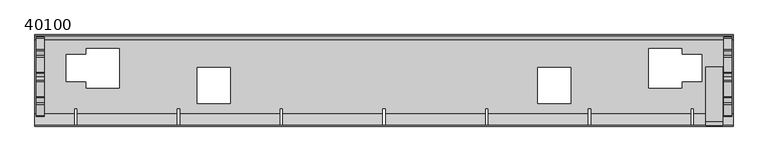
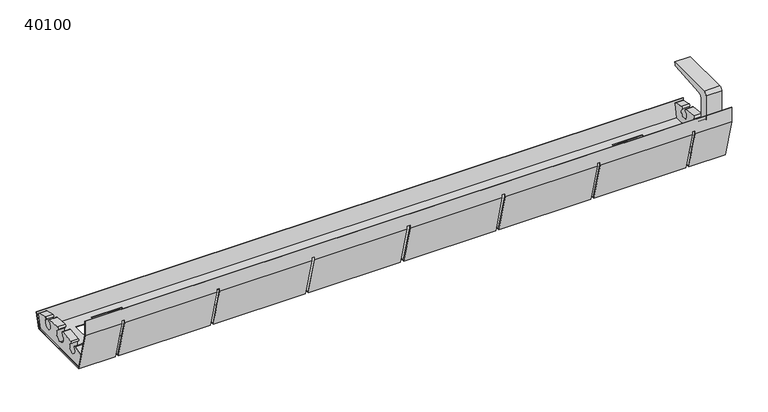
"""IFC4 building model written with IfcOpenShell, lengths in millimetres: furniture geometry, 40100."""

from ifc_helpers import new_model, si_unit, point, frame, frame_2d, origin, place, context, project, spatial, polyline, circle_curve, trimmed, segment, composite_curve, outline, extrude, faceted_brep, source, transform, mapped, element, save


def furniture_40100_9cb6f495(model_context):
    return source(origin(), model_context, "Body", "SolidModel", [
        extrude(outline(composite_curve([segment(polyline([(6.0, 127.6), (87.0, 127.6), (85.8219858, 123.3928064)]), True, "CONTINUOUS"), segment(trimmed(circle_curve(frame_2d((83.8960577, 123.9320662)), 2.0), [point((85.8219858, 123.3928064))], [point((84.0703692, 121.9396768))], False, "CARTESIAN"), True, "CONTINUOUS"), segment(polyline([(84.0703692, 121.9396768), (21.3027541, 116.4482221)]), True, "CONTINUOUS"), segment(trimmed(circle_curve(frame_2d((22.0, 108.4786645)), 8.0), [point((21.3027541, 116.4482221))], [point((14.0, 108.4786645))], True, "CARTESIAN"), True, "CONTINUOUS"), segment(polyline([(14.0, 108.4786645), (14.0, 84.4680422)]), True, "CONTINUOUS"), segment(trimmed(circle_curve(frame_2d((22.0, 84.4680422)), 8.0), [point((14.0, 84.4680422))], [point((14.2725934, 82.3974898))], True, "CARTESIAN"), True, "CONTINUOUS"), segment(polyline([(14.2725934, 82.3974898), (31.3787067, 18.5566058)]), True, "CONTINUOUS"), segment(trimmed(circle_curve(frame_2d((39.1061133, 20.6271582)), 8.0), [point((31.3787067, 18.5566058))], [point((37.9204592, 12.715507))], True, "CARTESIAN"), True, "CONTINUOUS"), segment(polyline([(37.9204592, 12.715507), (84.1345897, 5.7897752)]), True, "CONTINUOUS"), segment(trimmed(circle_curve(frame_2d((83.8381762, 3.8118624)), 2.0), [point((84.1345897, 5.7897752))], [point((85.7700278, 4.3295005))], False, "CARTESIAN"), True, "CONTINUOUS"), segment(polyline([(85.7700278, 4.3295005), (86.6085749, 1.2), (22.5765824, 1.2), (1.2725934, 80.7075696)]), True, "CONTINUOUS"), segment(trimmed(circle_curve(frame_2d((9.0, 82.7781219)), 8.0), [point((1.2725934, 80.7075696))], [point((1.0, 82.7781219))], False, "CARTESIAN"), True, "CONTINUOUS"), segment(polyline([(1.0, 82.7781219), (1.0, 122.6)]), True, "CONTINUOUS"), segment(trimmed(circle_curve(frame_2d((6.0, 122.6)), 5.0), [point((1.0, 122.6))], [point((6.0, 127.6))], False, "CARTESIAN"), True, "CONTINUOUS")], self_intersect=False)), frame((985.0, 0.0, 0.0), z_axis=(1.0, 0.0, 0.0), x_axis=(0.0, 1.0, 0.0)), (0.0, 0.0, 1.0), 25.0),
        extrude(outline(composite_curve([segment(polyline([(19.7421934, 1.2), (14.2708238, 21.6194295)]), True, "CONTINUOUS"), segment(trimmed(circle_curve(frame_2d((16.2026754, 22.1370675)), 2.0), [point((14.2708238, 21.6194295))], [point((15.7218792, 24.0784163))], False, "CARTESIAN"), True, "CONTINUOUS"), segment(trimmed(circle_curve(frame_2d((72.7329114, -171.9023975)), 204.1047211), [point((15.7218792, 24.0784163))], [point((31.7264611, 28.0406149))], False, "CARTESIAN"), True, "CONTINUOUS"), segment(trimmed(circle_curve(frame_2d((32.1106564, 26.0778633)), 2.0), [point((31.7264611, 28.0406149))], [point((33.7699459, 24.9612799))], False, "CARTESIAN"), True, "CONTINUOUS"), segment(trimmed(circle_curve(frame_2d((39.2741288, 19.8667759)), 7.5), [point((33.7699459, 24.9612799))], [point((42.6489677, 26.5645712))], True, "CARTESIAN"), True, "CONTINUOUS"), segment(trimmed(circle_curve(frame_2d((43.8838713, 28.1377887)), 2.0), [point((42.6489677, 26.5645712))], [point((43.4584069, 30.0920097))], False, "CARTESIAN"), True, "CONTINUOUS"), segment(trimmed(circle_curve(frame_2d((72.7329114, -171.9023975)), 204.1047211), [point((43.4584069, 30.0920097))], [point((65.5069893, 32.0743738))], False, "CARTESIAN"), True, "CONTINUOUS"), segment(trimmed(circle_curve(frame_2d((65.5283849, 30.0744882)), 2.0), [point((65.5069893, 32.0743738))], [point((66.9521196, 28.6698603))], False, "CARTESIAN"), True, "CONTINUOUS"), segment(trimmed(circle_curve(frame_2d((74.2422272, 21.4775868)), 10.2408236), [point((66.9521196, 28.6698603))], [point((64.9357171, 25.7511494))], True, "CARTESIAN"), True, "CONTINUOUS"), segment(trimmed(circle_curve(frame_2d((72.7518575, 20.3513393)), 9.5), [point((64.9357171, 25.7511494))], [point((72.7518575, 10.8513393))], True, "CARTESIAN"), True, "CONTINUOUS"), segment(trimmed(circle_curve(frame_2d((72.7518575, 20.3513393)), 9.5), [point((72.7518575, 10.8513393))], [point((80.5679978, 25.7511494))], True, "CARTESIAN"), True, "CONTINUOUS"), segment(trimmed(circle_curve(frame_2d((71.2614878, 21.4775868)), 10.2408236), [point((80.5679978, 25.7511494))], [point((78.5515954, 28.6698603))], True, "CARTESIAN"), True, "CONTINUOUS"), segment(trimmed(circle_curve(frame_2d((79.97533, 30.0744882)), 2.0), [point((78.5515954, 28.6698603))], [point((79.9967256, 32.0743738))], False, "CARTESIAN"), True, "CONTINUOUS"), segment(trimmed(circle_curve(frame_2d((72.7708035, -171.9023975)), 204.1047211), [point((79.9967256, 32.0743738))], [point((102.045308, 30.0920097))], False, "CARTESIAN"), True, "CONTINUOUS"), segment(trimmed(circle_curve(frame_2d((101.6198437, 28.1377887)), 2.0), [point((102.045308, 30.0920097))], [point((102.8547472, 26.5645712))], False, "CARTESIAN"), True, "CONTINUOUS"), segment(trimmed(circle_curve(frame_2d((106.2295862, 19.8667759)), 7.5), [point((102.8547472, 26.5645712))], [point((111.7337691, 24.9612799))], True, "CARTESIAN"), True, "CONTINUOUS"), segment(trimmed(circle_curve(frame_2d((113.3930585, 26.0778633)), 2.0), [point((111.7337691, 24.9612799))], [point((113.7772538, 28.0406149))], False, "CARTESIAN"), True, "CONTINUOUS"), segment(trimmed(circle_curve(frame_2d((72.7708035, -171.9023975)), 204.1047211), [point((113.7772538, 28.0406149))], [point((129.7818357, 24.0784163))], False, "CARTESIAN"), True, "CONTINUOUS"), segment(trimmed(circle_curve(frame_2d((129.3010395, 22.1370675)), 2.0), [point((129.7818357, 24.0784163))], [point((131.2328912, 21.6194295))], False, "CARTESIAN"), True, "CONTINUOUS"), segment(polyline([(131.2328912, 21.6194295), (125.7615216, 1.2), (72.7518575, 1.2), (19.7421934, 1.2)]), True, "CONTINUOUS")], self_intersect=False)), frame((1011.0, 0.0, 0.0), z_axis=(1.0, 0.0, 0.0), x_axis=(0.0, 1.0, 0.0)), (0.0, 0.0, 1.0), 12.0),
        extrude(outline(composite_curve([segment(polyline([(19.7421934, 1.2), (14.2708238, 21.6194295)]), True, "CONTINUOUS"), segment(trimmed(circle_curve(frame_2d((16.2026754, 22.1370675)), 2.0), [point((14.2708238, 21.6194295))], [point((15.7218792, 24.0784163))], False, "CARTESIAN"), True, "CONTINUOUS"), segment(trimmed(circle_curve(frame_2d((72.7329114, -171.9023975)), 204.1047211), [point((15.7218792, 24.0784163))], [point((31.7264611, 28.0406149))], False, "CARTESIAN"), True, "CONTINUOUS"), segment(trimmed(circle_curve(frame_2d((32.1106564, 26.0778633)), 2.0), [point((31.7264611, 28.0406149))], [point((33.7699459, 24.9612799))], False, "CARTESIAN"), True, "CONTINUOUS"), segment(trimmed(circle_curve(frame_2d((39.2741288, 19.8667759)), 7.5), [point((33.7699459, 24.9612799))], [point((42.6489677, 26.5645712))], True, "CARTESIAN"), True, "CONTINUOUS"), segment(trimmed(circle_curve(frame_2d((43.8838713, 28.1377887)), 2.0), [point((42.6489677, 26.5645712))], [point((43.4584069, 30.0920097))], False, "CARTESIAN"), True, "CONTINUOUS"), segment(trimmed(circle_curve(frame_2d((72.7329114, -171.9023975)), 204.1047211), [point((43.4584069, 30.0920097))], [point((65.5069893, 32.0743738))], False, "CARTESIAN"), True, "CONTINUOUS"), segment(trimmed(circle_curve(frame_2d((65.5283849, 30.0744882)), 2.0), [point((65.5069893, 32.0743738))], [point((66.9521196, 28.6698603))], False, "CARTESIAN"), True, "CONTINUOUS"), segment(trimmed(circle_curve(frame_2d((74.2422272, 21.4775868)), 10.2408236), [point((66.9521196, 28.6698603))], [point((64.9357171, 25.7511494))], True, "CARTESIAN"), True, "CONTINUOUS"), segment(trimmed(circle_curve(frame_2d((72.7518575, 20.3513393)), 9.5), [point((64.9357171, 25.7511494))], [point((72.7518575, 10.8513393))], True, "CARTESIAN"), True, "CONTINUOUS"), segment(trimmed(circle_curve(frame_2d((72.7518575, 20.3513393)), 9.5), [point((72.7518575, 10.8513393))], [point((80.5679978, 25.7511494))], True, "CARTESIAN"), True, "CONTINUOUS"), segment(trimmed(circle_curve(frame_2d((71.2614878, 21.4775868)), 10.2408236), [point((80.5679978, 25.7511494))], [point((78.5515954, 28.6698603))], True, "CARTESIAN"), True, "CONTINUOUS"), segment(trimmed(circle_curve(frame_2d((79.97533, 30.0744882)), 2.0), [point((78.5515954, 28.6698603))], [point((79.9967256, 32.0743738))], False, "CARTESIAN"), True, "CONTINUOUS"), segment(trimmed(circle_curve(frame_2d((72.7708035, -171.9023975)), 204.1047211), [point((79.9967256, 32.0743738))], [point((102.045308, 30.0920097))], False, "CARTESIAN"), True, "CONTINUOUS"), segment(trimmed(circle_curve(frame_2d((101.6198437, 28.1377887)), 2.0), [point((102.045308, 30.0920097))], [point((102.8547472, 26.5645712))], False, "CARTESIAN"), True, "CONTINUOUS"), segment(trimmed(circle_curve(frame_2d((106.2295862, 19.8667759)), 7.5), [point((102.8547472, 26.5645712))], [point((111.7337691, 24.9612799))], True, "CARTESIAN"), True, "CONTINUOUS"), segment(trimmed(circle_curve(frame_2d((113.3930585, 26.0778633)), 2.0), [point((111.7337691, 24.9612799))], [point((113.7772538, 28.0406149))], False, "CARTESIAN"), True, "CONTINUOUS"), segment(trimmed(circle_curve(frame_2d((72.7708035, -171.9023975)), 204.1047211), [point((113.7772538, 28.0406149))], [point((129.7818357, 24.0784163))], False, "CARTESIAN"), True, "CONTINUOUS"), segment(trimmed(circle_curve(frame_2d((129.3010395, 22.1370675)), 2.0), [point((129.7818357, 24.0784163))], [point((131.2328912, 21.6194295))], False, "CARTESIAN"), True, "CONTINUOUS"), segment(polyline([(131.2328912, 21.6194295), (125.7615216, 1.2), (72.7518575, 1.2), (19.7421934, 1.2)]), True, "CONTINUOUS")], self_intersect=False)), frame((2.0, 0.0, 0.0), z_axis=(1.0, 0.0, 0.0), x_axis=(0.0, 1.0, 0.0)), (0.0, 0.0, 1.0), 12.0),
        faceted_brep([(1025.0, 0.0, 66.3491624), (1025.0, 17.7782045, 0.0), (1025.0, 127.732561, 0.0), (1025.0, 134.4618575, 25.1140765), (1025.0, 133.3027465, 25.4246594), (1025.0, 126.8117686, 1.2), (1025.0, 18.6989969, 1.2), (1025.0, 1.2, 66.5071454), (1025.0, 1.2, 90.0), (1025.0, 0.0, 90.0), (0.0, 0.0, 66.3491624), (0.0, 0.0, 90.0), (0.0, 1.2, 90.0), (0.0, 1.2, 66.5071454), (0.0, 18.6989969, 1.2), (0.0, 126.8117686, 1.2), (0.0, 133.3027465, 25.4246594), (0.0, 134.4618575, 25.1140765), (0.0, 127.732561, 0.0), (0.0, 17.7782045, 0.0), (967.5, 0.0, 66.3491624), (967.5, 17.7782045, 0.0), (57.5, 17.7782045, 0.0), (57.5, 0.0, 66.3491624), (62.5, 0.0, 66.3491624), (62.5, 17.7782045, 0.0), (208.3333333, 17.7782045, 0.0), (208.3333333, 0.0, 66.3491624), (962.5, 17.7782045, 0.0), (962.5, 0.0, 66.3491624), (816.6666667, 0.0, 66.3491624), (816.6666667, 17.7782045, 0.0), (213.3333333, 0.0, 66.3491624), (213.3333333, 17.7782045, 0.0), (359.1666667, 17.7782045, 0.0), (359.1666667, 0.0, 66.3491624), (364.1666667, 0.0, 66.3491624), (364.1666667, 17.7782045, 0.0), (510.0, 17.7782045, 0.0), (510.0, 0.0, 66.3491624), (515.0, 0.0, 66.3491624), (515.0, 17.7782045, 0.0), (660.8333333, 17.7782045, 0.0), (660.8333333, 0.0, 66.3491624), (665.8333333, 0.0, 66.3491624), (665.8333333, 17.7782045, 0.0), (811.6666667, 17.7782045, 0.0), (811.6666667, 0.0, 66.3491624), (967.5, 26.0, 0.0), (962.5, 26.0, 0.0), (816.6666667, 26.0, 0.0), (811.6666667, 26.0, 0.0), (665.8333333, 26.0, 0.0), (660.8333333, 26.0, 0.0), (515.0, 26.0, 0.0), (510.0, 26.0, 0.0), (364.1666667, 26.0, 0.0), (359.1666667, 26.0, 0.0), (213.3333333, 26.0, 0.0), (208.3333333, 26.0, 0.0), (62.5, 26.0, 0.0), (57.5, 26.0, 0.0), (75.5, 105.4618575, 0.0), (46.0, 105.4618575, 0.0), (46.0, 65.4618575, 0.0), (75.5, 65.4618575, 0.0), (75.5, 56.4618575, 0.0), (123.5, 56.4618575, 0.0), (123.5, 114.4618575, 0.0), (75.5, 114.4618575, 0.0), (901.5, 114.4618575, 0.0), (901.5, 56.4618575, 0.0), (949.5, 56.4618575, 0.0), (949.5, 65.4618575, 0.0), (979.0, 65.4618575, 0.0), (979.0, 105.4618575, 0.0), (949.5, 105.4618575, 0.0), (949.5, 114.4618575, 0.0), (286.5, 86.4618575, 0.0), (238.5, 86.4618575, 0.0), (238.5, 33.4618575, 0.0), (286.5, 33.4618575, 0.0), (786.5, 86.4618575, 0.0), (738.5, 86.4618575, 0.0), (738.5, 33.4618575, 0.0), (786.5, 33.4618575, 0.0), (57.5, 18.6989969, 1.2), (57.5, 26.0, 1.2), (62.5, 26.0, 1.2), (62.5, 18.6989969, 1.2), (208.3333333, 18.6989969, 1.2), (208.3333333, 26.0, 1.2), (213.3333333, 26.0, 1.2), (213.3333333, 18.6989969, 1.2), (359.1666667, 18.6989969, 1.2), (359.1666667, 26.0, 1.2), (364.1666667, 26.0, 1.2), (364.1666667, 18.6989969, 1.2), (510.0, 18.6989969, 1.2), (510.0, 26.0, 1.2), (515.0, 26.0, 1.2), (515.0, 18.6989969, 1.2), (660.8333333, 18.6989969, 1.2), (660.8333333, 26.0, 1.2), (665.8333333, 26.0, 1.2), (665.8333333, 18.6989969, 1.2), (811.6666667, 18.6989969, 1.2), (811.6666667, 26.0, 1.2), (816.6666667, 26.0, 1.2), (816.6666667, 18.6989969, 1.2), (962.5, 18.6989969, 1.2), (962.5, 26.0, 1.2), (967.5, 26.0, 1.2), (967.5, 18.6989969, 1.2), (46.0, 105.4618575, 1.2), (75.5, 105.4618575, 1.2), (75.5, 114.4618575, 1.2), (123.5, 114.4618575, 1.2), (123.5, 56.4618575, 1.2), (75.5, 56.4618575, 1.2), (75.5, 65.4618575, 1.2), (46.0, 65.4618575, 1.2), (901.5, 56.4618575, 1.2), (901.5, 114.4618575, 1.2), (949.5, 114.4618575, 1.2), (949.5, 105.4618575, 1.2), (979.0, 105.4618575, 1.2), (979.0, 65.4618575, 1.2), (949.5, 65.4618575, 1.2), (949.5, 56.4618575, 1.2), (238.5, 86.4618575, 1.2), (286.5, 86.4618575, 1.2), (286.5, 33.4618575, 1.2), (238.5, 33.4618575, 1.2), (738.5, 86.4618575, 1.2), (786.5, 86.4618575, 1.2), (786.5, 33.4618575, 1.2), (738.5, 33.4618575, 1.2), (967.5, 1.2, 66.5071454), (57.5, 1.2, 66.5071454), (62.5, 1.2, 66.5071454), (208.3333333, 1.2, 66.5071454), (962.5, 1.2, 66.5071454), (816.6666667, 1.2, 66.5071454), (213.3333333, 1.2, 66.5071454), (359.1666667, 1.2, 66.5071454), (364.1666667, 1.2, 66.5071454), (510.0, 1.2, 66.5071454), (515.0, 1.2, 66.5071454), (660.8333333, 1.2, 66.5071454), (665.8333333, 1.2, 66.5071454), (811.6666667, 1.2, 66.5071454), (967.5, 1.2, 71.0), (962.5, 1.2, 71.0), (816.6666667, 1.2, 71.0), (811.6666667, 1.2, 71.0), (665.8333333, 1.2, 71.0), (660.8333333, 1.2, 71.0), (515.0, 1.2, 71.0), (510.0, 1.2, 71.0), (364.1666667, 1.2, 71.0), (359.1666667, 1.2, 71.0), (213.3333333, 1.2, 71.0), (208.3333333, 1.2, 71.0), (62.5, 1.2, 71.0), (57.5, 1.2, 71.0), (57.5, 0.0, 71.0), (62.5, 0.0, 71.0), (208.3333333, 0.0, 71.0), (213.3333333, 0.0, 71.0), (359.1666667, 0.0, 71.0), (364.1666667, 0.0, 71.0), (510.0, 0.0, 71.0), (515.0, 0.0, 71.0), (660.8333333, 0.0, 71.0), (665.8333333, 0.0, 71.0), (811.6666667, 0.0, 71.0), (816.6666667, 0.0, 71.0), (962.5, 0.0, 71.0), (967.5, 0.0, 71.0)], [[[0, 1, 2, 3, 4, 5, 6, 7, 8, 9]], [[10, 11, 12, 13, 14, 15, 16, 17, 18, 19]], [[1, 0, 20, 21]], [[10, 19, 22, 23]], [[24, 25, 26, 27]], [[28, 29, 30, 31]], [[32, 33, 34, 35]], [[36, 37, 38, 39]], [[40, 41, 42, 43]], [[44, 45, 46, 47]], [[2, 1, 21, 48, 49, 28, 31, 50, 51, 46, 45, 52, 53, 42, 41, 54, 55, 38, 37, 56, 57, 34, 33, 58, 59, 26, 25, 60, 61, 22, 19, 18], [62, 63, 64, 65, 66, 67, 68, 69], [70, 71, 72, 73, 74, 75, 76, 77], [78, 79, 80, 81], [82, 83, 84, 85]], [[3, 2, 18, 17]], [[4, 3, 17, 16]], [[5, 4, 16, 15]], [[6, 5, 15, 14, 86, 87, 88, 89, 90, 91, 92, 93, 94, 95, 96, 97, 98, 99, 100, 101, 102, 103, 104, 105, 106, 107, 108, 109, 110, 111, 112, 113], [114, 115, 116, 117, 118, 119, 120, 121], [122, 123, 124, 125, 126, 127, 128, 129], [130, 131, 132, 133], [134, 135, 136, 137]], [[7, 6, 113, 138]], [[14, 13, 139, 86]], [[89, 140, 141, 90]], [[142, 110, 109, 143]], [[93, 144, 145, 94]], [[97, 146, 147, 98]], [[101, 148, 149, 102]], [[105, 150, 151, 106]], [[8, 7, 138, 152, 153, 142, 143, 154, 155, 151, 150, 156, 157, 149, 148, 158, 159, 147, 146, 160, 161, 145, 144, 162, 163, 141, 140, 164, 165, 139, 13, 12]], [[9, 8, 12, 11]], [[0, 9, 11, 10, 23, 166, 167, 24, 27, 168, 169, 32, 35, 170, 171, 36, 39, 172, 173, 40, 43, 174, 175, 44, 47, 176, 177, 30, 29, 178, 179, 20]], [[62, 115, 114, 63]], [[63, 114, 121, 64]], [[64, 121, 120, 65]], [[65, 120, 119, 66]], [[66, 119, 118, 67]], [[67, 118, 117, 68]], [[68, 117, 116, 69]], [[115, 62, 69, 116]], [[70, 123, 122, 71]], [[71, 122, 129, 72]], [[72, 129, 128, 73]], [[73, 128, 127, 74]], [[74, 127, 126, 75]], [[75, 126, 125, 76]], [[76, 125, 124, 77]], [[123, 70, 77, 124]], [[78, 131, 130, 79]], [[79, 130, 133, 80]], [[80, 133, 132, 81]], [[131, 78, 81, 132]], [[82, 135, 134, 83]], [[83, 134, 137, 84]], [[84, 137, 136, 85]], [[135, 82, 85, 136]], [[164, 167, 166, 165]], [[60, 88, 87, 61]], [[165, 166, 23, 22, 61, 87, 86, 139]], [[167, 164, 140, 89, 88, 60, 25, 24]], [[152, 179, 178, 153]], [[48, 112, 111, 49]], [[153, 178, 29, 28, 49, 111, 110, 142]], [[179, 152, 138, 113, 112, 48, 21, 20]], [[162, 169, 168, 163]], [[58, 92, 91, 59]], [[163, 168, 27, 26, 59, 91, 90, 141]], [[169, 162, 144, 93, 92, 58, 33, 32]], [[160, 171, 170, 161]], [[56, 96, 95, 57]], [[161, 170, 35, 34, 57, 95, 94, 145]], [[171, 160, 146, 97, 96, 56, 37, 36]], [[158, 173, 172, 159]], [[54, 100, 99, 55]], [[159, 172, 39, 38, 55, 99, 98, 147]], [[173, 158, 148, 101, 100, 54, 41, 40]], [[156, 175, 174, 157]], [[52, 104, 103, 53]], [[157, 174, 43, 42, 53, 103, 102, 149]], [[175, 156, 150, 105, 104, 52, 45, 44]], [[154, 177, 176, 155]], [[50, 108, 107, 51]], [[155, 176, 47, 46, 51, 107, 106, 151]], [[177, 154, 143, 109, 108, 50, 31, 30]]]),
    ])


if __name__ == "__main__":
    model = new_model("IFC4")
    model_context = context("Model", 3, world=origin())
    ifc_project = project(units=[si_unit("LENGTHUNIT", "METRE", prefix="MILLI")], contexts=[model_context])
    site = spatial("IfcSite", under=ifc_project)
    building = spatial("IfcBuilding", under=site)
    placement = place(None, origin())
    furniture_40100_shape = furniture_40100_9cb6f495(model_context)
    element("IfcFurniture", 1, ObjectType="40100", at=placement, inside=building, context=model_context, shape_type="MappedRepresentation", body=[
        mapped(furniture_40100_shape, transform((0.0, 0.0, 0.0), x_axis=(1.0, 0.0, 0.0), y_axis=(0.0, 1.0, 0.0), z_axis=(0.0, 0.0, 1.0))),
    ])
    save(model, "model.ifc")
